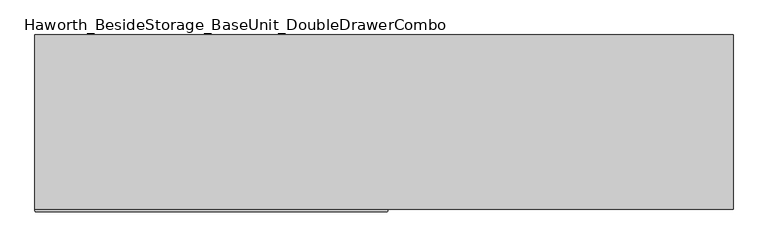
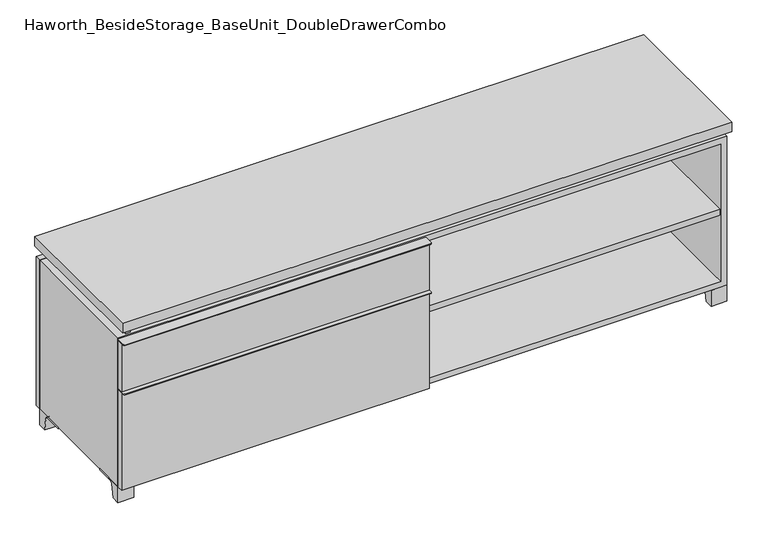
"""IFC4 building model written with IfcOpenShell, lengths in millimetres: furniture geometry, Haworth_BesideStorage_BaseUnit_DoubleDrawerCombo."""

import ifcopenshell
import ifcopenshell.guid

model = None  # the IFC model being written
_history = None  # IfcOwnerHistory: only IFC2X3 demands one
_inside = {}  # id of a spatial element -> (the spatial element, [elements in it])
_under = {}  # id of a project, library or spatial element -> (it, [spatial elements below it])
_declared = {}  # id of a project -> (the project, [libraries it declares])
_typed = {}  # id of a type object -> (the type object, [elements of that type])
_made_of = {}  # id of a material, layer set ... -> (it, [elements and type objects made of it])


def new_model(schema):
    """Start an empty IFC model of exactly this schema.

    Asked for "IFC4X3", IfcOpenShell would pick the latest addendum, in which some entities
    have other attributes; the version numbers below select the first issue.
    IFC2X3 requires an IfcOwnerHistory on every rooted entity: one is made here for all.
    """
    global model, _history
    if schema == "IFC4X3":
        model = ifcopenshell.file(schema_version=(4, 3, 0, 0))
    else:
        model = ifcopenshell.file(schema=schema)
    _inside.clear()
    _under.clear()
    _declared.clear()
    _typed.clear()
    _made_of.clear()
    _history = None
    if model.schema == "IFC2X3":
        org = make("IfcOrganization", Name="unknown")
        user = make(
            "IfcPersonAndOrganization",
            ThePerson=make("IfcPerson", FamilyName="unknown"),
            TheOrganization=org,
        )
        app = make(
            "IfcApplication",
            ApplicationDeveloper=org,
            Version="unknown",
            ApplicationFullName="unknown",
            ApplicationIdentifier="unknown",
        )
        _history = make(
            "IfcOwnerHistory",
            OwningUser=user,
            OwningApplication=app,
            ChangeAction="ADDED",
            CreationDate=0,
        )
    return model


def make(cls, **values):
    """One entity of the class cls with the attributes given. An attribute that is None is left unset."""
    return model.create_entity(
        cls, **{name: value for name, value in values.items() if value is not None}
    )


def rooted(cls, **values):
    """An entity with a GlobalId (a new one), such as an element, a storey or a relation."""
    return make(cls, GlobalId=ifcopenshell.guid.new(), OwnerHistory=_history, **values)


def si_unit(unit_type, name, prefix=None):
    """IfcSIUnit, for example si_unit("LENGTHUNIT", "METRE", prefix="MILLI")."""
    return make("IfcSIUnit", UnitType=unit_type, Prefix=prefix, Name=name)


def assignment(units):
    """IfcUnitAssignment: the units of a project."""
    return None if units is None else make("IfcUnitAssignment", Units=units)


def point(xyz):
    """IfcCartesianPoint."""
    return None if xyz is None else make("IfcCartesianPoint", Coordinates=xyz)


def direction(xyz):
    """IfcDirection."""
    return None if xyz is None else make("IfcDirection", DirectionRatios=xyz)


def frame(location, z_axis=None, x_axis=None):
    """IfcAxis2Placement3D, a coordinate frame: its origin and axes. An axis left out is left unset."""
    return make(
        "IfcAxis2Placement3D",
        Location=point(location),
        Axis=direction(z_axis),
        RefDirection=direction(x_axis),
    )


def frame_2d(location, x_axis=None):
    """IfcAxis2Placement2D, a coordinate frame in the plane: its origin and x axis."""
    return make(
        "IfcAxis2Placement2D", Location=point(location), RefDirection=direction(x_axis)
    )


def origin():
    """The frame at (0, 0, 0) with its axes left unset."""
    return frame((0.0, 0.0, 0.0))


def place(relative_to, where):
    """IfcLocalPlacement: puts the frame where relative to a parent placement (None: the world)."""
    return make(
        "IfcLocalPlacement", PlacementRelTo=relative_to, RelativePlacement=where
    )


def context(
    kind, dimensions, precision=None, world=None, true_north=None, identifier=None
):
    """IfcGeometricRepresentationContext, for example the 3D "Model" context."""
    return make(
        "IfcGeometricRepresentationContext",
        ContextIdentifier=identifier,
        ContextType=kind,
        CoordinateSpaceDimension=dimensions,
        Precision=precision,
        WorldCoordinateSystem=world,
        TrueNorth=true_north,
    )


def project(units=None, contexts=None):
    """IfcProject with its units and contexts."""
    return rooted(
        "IfcProject",
        Name="project",
        RepresentationContexts=contexts,
        UnitsInContext=assignment(units),
    )


def spatial(cls, under=None, at=None, **own):
    """A site, building, storey or space (cls), placed at a placement, below another one or the project."""
    s = rooted(cls, ObjectPlacement=at, **own)
    if under is not None:
        _under.setdefault(under.id(), (under, []))[1].append(s)
    return s


def polyline(points):
    """IfcPolyline through the points."""
    return make("IfcPolyline", Points=[point(p) for p in points])


def circle_curve(where, radius):
    """IfcCircle in the frame where."""
    return make("IfcCircle", Position=where, Radius=radius)


def trimmed(basis, trim1, trim2, sense, master):
    """IfcTrimmedCurve: the piece of a basis curve between two trims."""
    return make(
        "IfcTrimmedCurve",
        BasisCurve=basis,
        Trim1=trim1,
        Trim2=trim2,
        SenseAgreement=sense,
        MasterRepresentation=master,
    )


def segment(curve, same_sense, transition):
    """IfcCompositeCurveSegment."""
    return make(
        "IfcCompositeCurveSegment",
        Transition=transition,
        SameSense=same_sense,
        ParentCurve=curve,
    )


def composite_curve(segments, self_intersect=None):
    """IfcCompositeCurve: segments joined end to end."""
    return make("IfcCompositeCurve", Segments=segments, SelfIntersect=self_intersect)


def outline(outer, holes=None, kind="AREA"):
    """IfcArbitraryClosedProfileDef: a profile drawn as a closed curve; with holes, ...WithVoids."""
    if holes is None:
        return make("IfcArbitraryClosedProfileDef", ProfileType=kind, OuterCurve=outer)
    return make(
        "IfcArbitraryProfileDefWithVoids",
        ProfileType=kind,
        OuterCurve=outer,
        InnerCurves=holes,
    )


def extrude(swept, where, along, depth):
    """IfcExtrudedAreaSolid: the profile swept, set in the frame where, extruded along a direction by depth."""
    return make(
        "IfcExtrudedAreaSolid",
        SweptArea=swept,
        Position=where,
        ExtrudedDirection=direction(along),
        Depth=depth,
    )


def shape(context_of_items, identifier, shape_type, items):
    """IfcShapeRepresentation: the items that make up one representation, for example the "Body"."""
    return make(
        "IfcShapeRepresentation",
        ContextOfItems=context_of_items,
        RepresentationIdentifier=identifier,
        RepresentationType=shape_type,
        Items=items,
    )


def source(mapping_origin, context_of_items, identifier, shape_type, items):
    """IfcRepresentationMap: a shape defined once, which mapped items show again and again."""
    return make(
        "IfcRepresentationMap",
        MappingOrigin=mapping_origin,
        MappedRepresentation=shape(context_of_items, identifier, shape_type, items),
    )


def transform(
    local_origin,
    x_axis=None,
    y_axis=None,
    z_axis=None,
    scale=None,
    scale2=None,
    scale3=None,
    uniform=True,
):
    """IfcCartesianTransformationOperator3D, or its non-uniform kind. x_axis, y_axis, z_axis: its Axis1, 2, 3."""
    if uniform:
        return make(
            "IfcCartesianTransformationOperator3D",
            Axis1=direction(x_axis),
            Axis2=direction(y_axis),
            LocalOrigin=point(local_origin),
            Scale=scale,
            Axis3=direction(z_axis),
        )
    return make(
        "IfcCartesianTransformationOperator3DnonUniform",
        Axis1=direction(x_axis),
        Axis2=direction(y_axis),
        LocalOrigin=point(local_origin),
        Scale=scale,
        Axis3=direction(z_axis),
        Scale2=scale2,
        Scale3=scale3,
    )


def mapped(mapping_source, mapping_target):
    """IfcMappedItem: shows the shape of a source again, moved by a transform."""
    return make(
        "IfcMappedItem", MappingSource=mapping_source, MappingTarget=mapping_target
    )


def made_of(thing, what):
    """Note that an element or type object is made of a material, layer set ...; save() writes the relation."""
    if what is not None:
        _made_of.setdefault(what.id(), (what, []))[1].append(thing)
    return thing


def element(
    cls,
    number,
    at=None,
    inside=None,
    cuts=None,
    type_object=None,
    material=None,
    context=None,
    identifier="Body",
    shape_type=None,
    held_by="IfcProductDefinitionShape",
    body=None,
    shapes=None,
    **own,
):
    """One element of the class cls, such as IfcWall. Its Tag is "e" and its number.

    at: its placement. inside: the storey or other place that contains it. cuts: it is an
    opening in that element (IfcRelVoidsElement). A single representation is given by context,
    identifier, shape_type and body (its items); several are given by shapes. held_by: the class
    of the entity that holds the representations. save() writes the other relations.
    """
    e = rooted(cls, Tag="e%d" % number, ObjectPlacement=at, **own)
    if body is not None:
        shapes = [shape(context, identifier, shape_type, body)]
    if shapes is not None:
        e.Representation = make(held_by, Representations=shapes)
    if inside is not None:
        _inside.setdefault(inside.id(), (inside, []))[1].append(e)
    if cuts is not None:
        rooted(
            "IfcRelVoidsElement", RelatingBuildingElement=cuts, RelatedOpeningElement=e
        )
    if type_object is not None:
        _typed.setdefault(type_object.id(), (type_object, []))[1].append(e)
    return made_of(e, material)


def aggregate(whole, parts):
    """IfcRelAggregates: a whole, such as a stair, and the parts it consists of."""
    return rooted("IfcRelAggregates", RelatingObject=whole, RelatedObjects=parts)


def save(model, path):
    """Write the relations noted so far, then the file.

    IfcRelAggregates (storeys below a building ...), IfcRelContainedInSpatialStructure (elements
    in a storey), IfcRelDefinesByType, IfcRelAssociatesMaterial and IfcRelDeclares: one each for
    every whole, place, type object, material and project.
    """
    for whole, parts in _under.values():
        aggregate(whole, parts)
    for where, things in _inside.values():
        rooted(
            "IfcRelContainedInSpatialStructure",
            RelatedElements=things,
            RelatingStructure=where,
        )
    for kind, things in _typed.values():
        rooted("IfcRelDefinesByType", RelatedObjects=things, RelatingType=kind)
    for what, things in _made_of.values():
        rooted("IfcRelAssociatesMaterial", RelatedObjects=things, RelatingMaterial=what)
    for by, libraries in _declared.values():
        rooted("IfcRelDeclares", RelatingContext=by, RelatedDefinitions=libraries)
    model.write(path)


def haworth_besidestorage_baseunit_doubledrawercombo_dc8e1fc4(model_context):
    return source(origin(), model_context, "Body", "SweptSolid", [
        extrude(outline(polyline([(-9.5111094, 234.95), (-9.5111094, -136.525), (-895.3361094, -136.525), (-895.3361094, 234.95), (-9.5111094, 234.95)])), frame((0.0, 0.0, 354.0125), z_axis=(0.0, 0.0, 1.0), x_axis=(1.0, 0.0, 0.0)), (0.0, 0.0, 1.0), 19.05),
        extrude(outline(composite_curve([segment(polyline([(9.5388906, -139.7), (9.5388906, -168.275)]), True, "CONTINUOUS"), segment(trimmed(circle_curve(frame_2d((6.3638906, -168.275)), 3.175), [point((9.5388906, -168.275))], [point((6.3638906, -171.45))], False, "CARTESIAN"), True, "CONTINUOUS"), segment(polyline([(6.3638906, -171.45), (-911.2111094, -171.45)]), True, "CONTINUOUS"), segment(trimmed(circle_curve(frame_2d((-911.2111094, -168.275)), 3.175), [point((-911.2111094, -171.45))], [point((-914.3861094, -168.275))], False, "CARTESIAN"), True, "CONTINUOUS"), segment(polyline([(-914.3861094, -168.275), (-914.3861094, -139.7), (9.5388906, -139.7)]), True, "CONTINUOUS")], self_intersect=False)), frame((0.0, 0.0, 517.525), z_axis=(0.0, 0.0, 1.0), x_axis=(1.0, 0.0, 0.0)), (0.0, 0.0, 1.0), 2.38125),
        extrude(outline(polyline([(9.5388906, -139.7), (9.5388906, -158.75), (-914.3861094, -158.75), (-914.3861094, -139.7), (9.5388906, -139.7)])), frame((0.0, 0.0, 363.5375), z_axis=(0.0, 0.0, 1.0), x_axis=(1.0, 0.0, 0.0)), (0.0, 0.0, 1.0), 153.9875),
        extrude(outline(composite_curve([segment(polyline([(9.5388906, -139.7), (9.5388906, -168.275)]), True, "CONTINUOUS"), segment(trimmed(circle_curve(frame_2d((6.3638906, -168.275)), 3.175), [point((9.5388906, -168.275))], [point((6.3638906, -171.45))], False, "CARTESIAN"), True, "CONTINUOUS"), segment(polyline([(6.3638906, -171.45), (-911.2111094, -171.45)]), True, "CONTINUOUS"), segment(trimmed(circle_curve(frame_2d((-911.2111094, -168.275)), 3.175), [point((-911.2111094, -171.45))], [point((-914.3861094, -168.275))], False, "CARTESIAN"), True, "CONTINUOUS"), segment(polyline([(-914.3861094, -168.275), (-914.3861094, -139.7), (9.5388906, -139.7)]), True, "CONTINUOUS")], self_intersect=False)), frame((0.0, 0.0, 361.15625), z_axis=(0.0, 0.0, 1.0), x_axis=(1.0, 0.0, 0.0)), (0.0, 0.0, 1.0), 2.38125),
        extrude(outline(polyline([(9.5388906, -139.7), (9.5388906, -158.75), (-914.3861094, -158.75), (-914.3861094, -139.7), (9.5388906, -139.7)])), frame((0.0, 0.0, 50.8), z_axis=(0.0, 0.0, 1.0), x_axis=(1.0, 0.0, 0.0)), (0.0, 0.0, 1.0), 310.35625),
        extrude(outline(polyline([(895.3569453, 234.95), (895.3569453, -136.525), (9.5319453, -136.525), (9.5319453, 234.95), (895.3569453, 234.95)])), frame((0.0, 0.0, 277.8125), z_axis=(0.0, 0.0, 1.0), x_axis=(1.0, 0.0, 0.0)), (0.0, 0.0, 1.0), 19.05),
        extrude(outline(composite_curve([segment(polyline([(53.9749864, 0.0), (28.575, 0.0), (28.575, 50.8), (123.825, 50.8), (123.825, 46.0213321), (67.0244655, 46.0213321)]), True, "CONTINUOUS"), segment(trimmed(circle_curve(frame_2d((67.0244655, 39.6713321)), 6.35), [point((67.0244655, 46.0213321))], [point((60.7608641, 40.7152656))], True, "CARTESIAN"), True, "CONTINUOUS"), segment(polyline([(60.7608641, 40.7152656), (53.9749864, 0.0)]), True, "CONTINUOUS")], self_intersect=False)), frame((-23.7986094, 0.0, 0.0), z_axis=(1.0, 0.0, 0.0), x_axis=(0.0, 1.0, 0.0)), (0.0, 0.0, 1.0), 47.625),
        extrude(outline(polyline([(914.4138906, 292.1), (914.4138906, -165.1), (-914.3861094, -165.1), (-914.3861094, 292.1), (914.4138906, 292.1)])), frame((0.0, 0.0, 554.0375), z_axis=(0.0, 0.0, 1.0), x_axis=(1.0, 0.0, 0.0)), (0.0, 0.0, 1.0), 30.1625),
        extrude(outline(composite_curve([segment(polyline([(-114.3000136, 0.0), (-139.7, 0.0), (-139.7, 50.8), (-44.45, 50.8), (-44.45, 46.0213321), (-101.2505345, 46.0213321)]), True, "CONTINUOUS"), segment(trimmed(circle_curve(frame_2d((-101.2505345, 39.6713321)), 6.35), [point((-101.2505345, 46.0213321))], [point((-107.5141359, 40.7152656))], True, "CARTESIAN"), True, "CONTINUOUS"), segment(polyline([(-107.5141359, 40.7152656), (-114.3000136, 0.0)]), True, "CONTINUOUS")], self_intersect=False)), frame((866.7888906, 0.0, 0.0), z_axis=(1.0, 0.0, 0.0), x_axis=(0.0, 1.0, 0.0)), (0.0, 0.0, 1.0), 47.625),
        extrude(outline(composite_curve([segment(polyline([(241.3000136, 0.0), (234.5141359, 40.7152656)]), True, "CONTINUOUS"), segment(trimmed(circle_curve(frame_2d((228.2505345, 39.6713321)), 6.35), [point((234.5141359, 40.7152656))], [point((228.2505345, 46.0213321))], True, "CARTESIAN"), True, "CONTINUOUS"), segment(polyline([(228.2505345, 46.0213321), (171.45, 46.0213321), (171.45, 50.8), (266.7, 50.8), (266.7, 0.0), (241.3000136, 0.0)]), True, "CONTINUOUS")], self_intersect=False)), frame((866.7888906, 0.0, 0.0), z_axis=(1.0, 0.0, 0.0), x_axis=(0.0, 1.0, 0.0)), (0.0, 0.0, 1.0), 47.625),
        extrude(outline(composite_curve([segment(polyline([(-114.3000136, 0.0), (-139.7, 0.0), (-139.7, 50.8), (-44.45, 50.8), (-44.45, 46.0213321), (-101.2505345, 46.0213321)]), True, "CONTINUOUS"), segment(trimmed(circle_curve(frame_2d((-101.2505345, 39.6713321)), 6.35), [point((-101.2505345, 46.0213321))], [point((-107.5141359, 40.7152656))], True, "CARTESIAN"), True, "CONTINUOUS"), segment(polyline([(-107.5141359, 40.7152656), (-114.3000136, 0.0)]), True, "CONTINUOUS")], self_intersect=False)), frame((-914.3861094, 0.0, 0.0), z_axis=(1.0, 0.0, 0.0), x_axis=(0.0, 1.0, 0.0)), (0.0, 0.0, 1.0), 47.625),
        extrude(outline(composite_curve([segment(polyline([(241.3000136, 0.0), (234.5141359, 40.7152656)]), True, "CONTINUOUS"), segment(trimmed(circle_curve(frame_2d((228.2505345, 39.6713321)), 6.35), [point((234.5141359, 40.7152656))], [point((228.2505345, 46.0213321))], True, "CARTESIAN"), True, "CONTINUOUS"), segment(polyline([(228.2505345, 46.0213321), (171.45, 46.0213321), (171.45, 50.8), (266.7, 50.8), (266.7, 0.0), (241.3000136, 0.0)]), True, "CONTINUOUS")], self_intersect=False)), frame((-914.3861094, 0.0, 0.0), z_axis=(1.0, 0.0, 0.0), x_axis=(0.0, 1.0, 0.0)), (0.0, 0.0, 1.0), 47.625),
        extrude(outline(polyline([(-888.9791641, -133.35), (-888.9791641, 234.95), (-873.1041641, 234.95), (-873.1041641, 73.025), (-7.9236094, 73.025), (-7.9236094, 247.65), (7.9513906, 247.65), (7.9513906, 73.025), (873.1111094, 73.025), (873.1111094, 247.65), (888.9861094, 247.65), (888.9861094, -120.65), (873.1111094, -120.65), (873.1111094, 53.975), (7.9513906, 53.975), (7.9513906, -120.65), (-7.9236094, -120.65), (-7.9236094, 53.975), (-873.1041641, 53.975), (-873.1041641, -133.35), (-888.9791641, -133.35)])), frame((0.0, 0.0, 523.875), z_axis=(0.0, 0.0, 1.0), x_axis=(1.0, 0.0, 0.0)), (0.0, 0.0, 1.0), 30.1625),
        extrude(outline(polyline([(9.5388906, 234.95), (9.5388906, -139.7), (-9.5111094, -139.7), (-9.5111094, 234.95), (9.5388906, 234.95)])), frame((0.0, 0.0, 69.85), z_axis=(0.0, 0.0, 1.0), x_axis=(1.0, 0.0, 0.0)), (0.0, 0.0, 1.0), 434.975),
        extrude(outline(polyline([(914.4138906, 266.7), (-914.3861094, 266.7), (-914.3861094, 285.75), (914.4138906, 285.75), (914.4138906, 266.7)])), frame((0.0, 0.0, 50.8), z_axis=(0.0, 0.0, 1.0), x_axis=(1.0, 0.0, 0.0)), (0.0, 0.0, 1.0), 473.075),
        extrude(outline(polyline([(50.8, -914.3861094), (50.8, 914.4), (523.875, 914.4), (523.875, -914.3861094), (50.8, -914.3861094)]), holes=[polyline([(69.85, -895.3361094), (504.825, -895.3361094), (504.825, 895.3361094), (69.85, 895.3361094), (69.85, -895.3361094)])]), frame((0.0, -139.7, 0.0), z_axis=(0.0, 1.0, 0.0), x_axis=(0.0, 0.0, 1.0)), (0.0, 0.0, 1.0), 406.4),
        extrude(outline(polyline([(-895.3291641, 234.95), (-895.3291641, 241.3), (895.3569453, 241.3), (895.3569453, 234.95), (-895.3291641, 234.95)])), frame((0.0, 0.0, 69.85), z_axis=(0.0, 0.0, 1.0), x_axis=(1.0, 0.0, 0.0)), (0.0, 0.0, 1.0), 434.975),
    ])


if __name__ == "__main__":
    model = new_model("IFC4")
    model_context = context("Model", 3, world=origin())
    ifc_project = project(units=[si_unit("LENGTHUNIT", "METRE", prefix="MILLI")], contexts=[model_context])
    site = spatial("IfcSite", under=ifc_project)
    building = spatial("IfcBuilding", under=site)
    placement = place(None, origin())
    haworth_besidestorage_baseunit_doubledrawercombo_shape = haworth_besidestorage_baseunit_doubledrawercombo_dc8e1fc4(model_context)
    element("IfcFurniture", 1, ObjectType="Haworth_BesideStorage_BaseUnit_DoubleDrawerCombo", at=placement, inside=building, context=model_context, shape_type="MappedRepresentation", body=[
        mapped(haworth_besidestorage_baseunit_doubledrawercombo_shape, transform((0.0, 0.0, 0.0), x_axis=(1.0, 0.0, 0.0), y_axis=(0.0, 1.0, 0.0), z_axis=(0.0, 0.0, 1.0))),
    ])
    save(model, "model.ifc")
